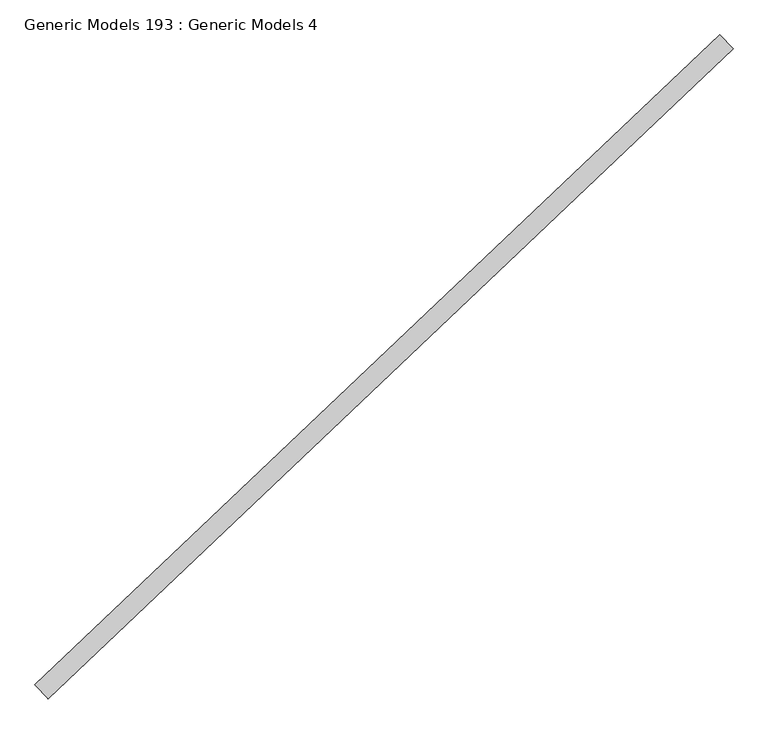
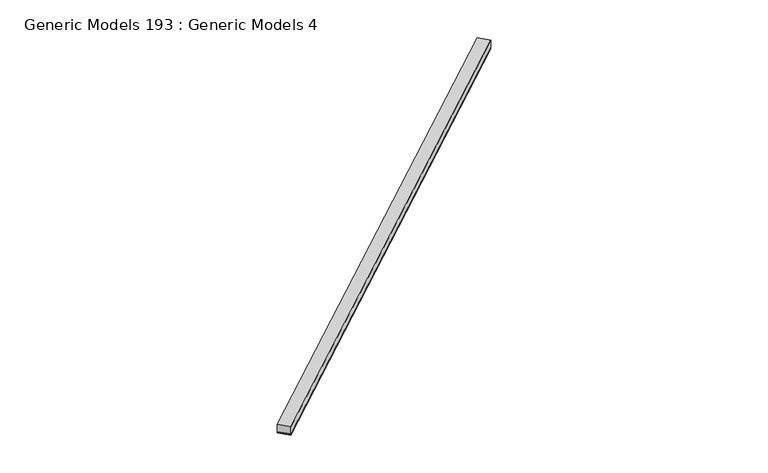
"""IFC4 building model written with IfcOpenShell, lengths in millimetres: proxy geometry, Generic Models 193 : Generic Models 4."""

from ifc_helpers import new_model, si_unit, point, frame, frame_2d, origin, place, context, project, spatial, polyline, circle_curve, trimmed, segment, composite_curve, outline, extrude, source, transform, mapped, element, save


def generic_models_193_generic_models_4_f9ba241e(model_context):
    return source(origin(), model_context, "Body", "SweptSolid", [
        extrude(outline(composite_curve([segment(polyline([(92.075, -9.128125), (0.0, -9.128125)]), True, "CONTINUOUS"), segment(trimmed(circle_curve(frame_2d((-4.4149557, -4.5640625)), 6.35), [point((0.0, -9.128125))], [point((0.0, 0.0))], True, "CARTESIAN"), True, "CONTINUOUS"), segment(polyline([(0.0, 0.0), (92.075, 0.0)]), True, "CONTINUOUS"), segment(trimmed(circle_curve(frame_2d((96.4899556, -4.5640625)), 6.35), [point((92.075, 0.0))], [point((92.075, -9.128125))], True, "CARTESIAN"), True, "CONTINUOUS")], self_intersect=False)), frame((99763.4645275, 57298.7606646, 17301.1628084), z_axis=(0.7253743710123147, 0.6883545756937256, 0.0), x_axis=(0.6883545756937256, -0.7253743710123147, 0.0)), (0.0, 0.0, 1.0), 4530.725),
        extrude(outline(polyline([(99826.844775, 57231.9718194), (99763.4645275, 57298.7606646), (103049.9363246, 60417.5059496), (103113.3165721, 60350.7171044), (99826.844775, 57231.9718194)])), frame((0.0, 0.0, 17310.6878084), z_axis=(0.0, 0.0, 1.0), x_axis=(1.0, 0.0, 0.0)), (0.0, 0.0, 1.0), 57.15),
    ])


if __name__ == "__main__":
    model = new_model("IFC4")
    model_context = context("Model", 3, world=origin())
    ifc_project = project(units=[si_unit("LENGTHUNIT", "METRE", prefix="MILLI")], contexts=[model_context])
    site = spatial("IfcSite", under=ifc_project)
    building = spatial("IfcBuilding", under=site)
    placement = place(None, origin())
    generic_models_193_generic_models_4_shape = generic_models_193_generic_models_4_f9ba241e(model_context)
    element("IfcBuildingElementProxy", 1, Name="Generic Models 193 : Generic Models 4", ObjectType="Generic Models 193 : Generic Models 4", at=placement, inside=building, context=model_context, shape_type="MappedRepresentation", body=[
        mapped(generic_models_193_generic_models_4_shape, transform((0.0, 0.0, 0.0), x_axis=(1.0, 0.0, 0.0), y_axis=(0.0, 1.0, 0.0), z_axis=(0.0, 0.0, 1.0))),
    ])
    save(model, "model.ifc")
